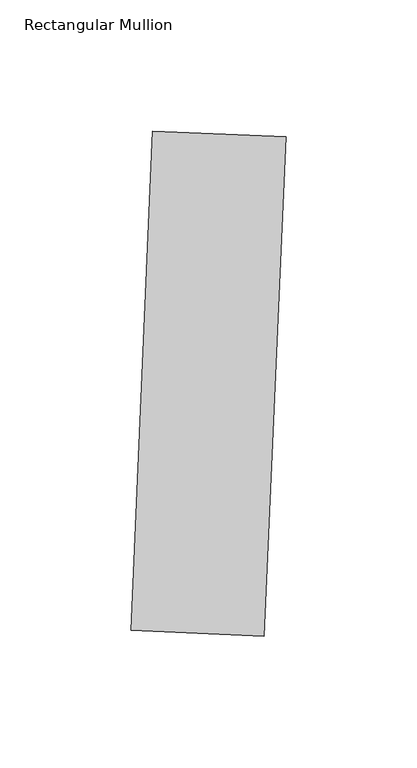
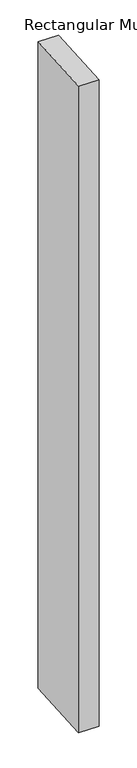
"""IFC4 building model written with IfcOpenShell, lengths in millimetres: member geometry, Rectangular Mullion."""

from ifc_helpers import new_model, si_unit, frame, origin, place, context, project, spatial, polyline, outline, extrude, source, transform, mapped, element, save


def rectangular_mullion_0fe19169(model_context):
    return source(origin(), model_context, "Body", "SweptSolid", [
        extrude(outline(polyline([(18.3127555, -162.8788157), (-32.4388941, -160.6629508), (-24.1294008, 29.6557354), (26.6222488, 27.4398705), (18.3127555, -162.8788157)])), frame((0.0, 0.0, -1720.85), z_axis=(0.0, 0.0, 1.0), x_axis=(1.0, 0.0, 0.0)), (0.0, 0.0, 1.0), 1720.85),
    ])


if __name__ == "__main__":
    model = new_model("IFC4")
    model_context = context("Model", 3, world=origin())
    ifc_project = project(units=[si_unit("LENGTHUNIT", "METRE", prefix="MILLI")], contexts=[model_context])
    site = spatial("IfcSite", under=ifc_project)
    building = spatial("IfcBuilding", under=site)
    placement = place(None, origin())
    rectangular_mullion_shape = rectangular_mullion_0fe19169(model_context)
    element("IfcMember", 1, ObjectType="Rectangular Mullion", at=placement, inside=building, context=model_context, shape_type="MappedRepresentation", body=[
        mapped(rectangular_mullion_shape, transform((0.0, 0.0, 0.0), x_axis=(1.0, 0.0, 0.0), y_axis=(0.0, 1.0, 0.0), z_axis=(0.0, 0.0, 1.0))),
    ])
    save(model, "model.ifc")
